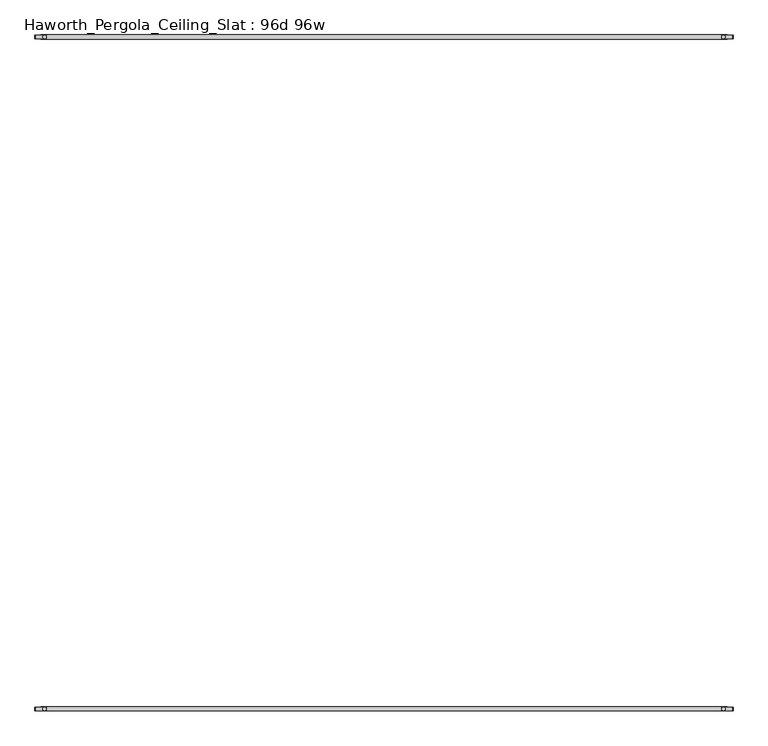
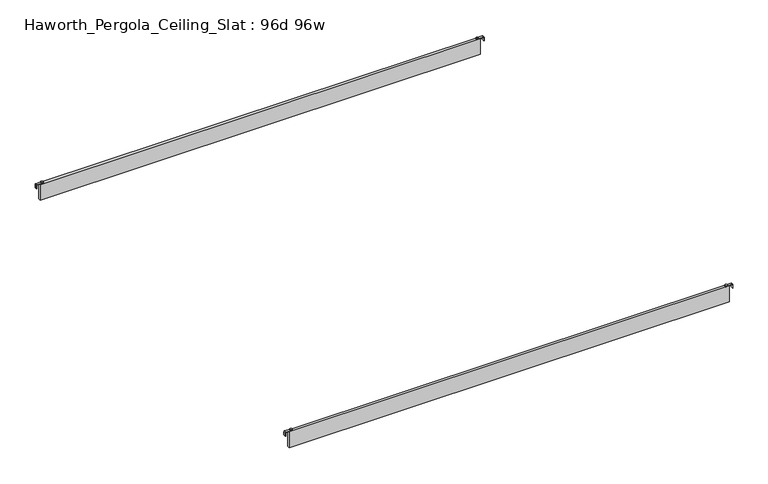
"""IFC4 building model written with IfcOpenShell, lengths in millimetres: furniture geometry, Haworth_Pergola_Ceiling_Slat : 96d 96w."""

from ifc_helpers import new_model, si_unit, point, frame, frame_2d, origin, place, context, project, spatial, polyline, circle_curve, trimmed, segment, composite_curve, outline, extrude, source, transform, mapped, element, save


def haworth_pergola_ceiling_slat_96d_96w_7f62c413(model_context):
    return source(origin(), model_context, "Body", "SweptSolid", [
        extrude(outline(composite_curve([segment(trimmed(circle_curve(frame_2d((1243.6, -144.907)), 5.9838099), [point((1237.6161901, -144.907))], [point((1249.5838099, -144.907))], False, "CARTESIAN"), True, "CONTINUOUS"), segment(trimmed(circle_curve(frame_2d((1243.6, -144.907)), 5.9838099), [point((1249.5838099, -144.907))], [point((1237.6161901, -144.907))], False, "CARTESIAN"), True, "CONTINUOUS")], self_intersect=False)), frame((0.0, 0.0, 2440.9329992), z_axis=(0.0, 0.0, 1.0), x_axis=(1.0, 0.0, 0.0)), (0.0, 0.0, 1.0), 3.4400008),
        extrude(outline(composite_curve([segment(trimmed(circle_curve(frame_2d((-1167.4, -144.907)), 5.9838099), [point((-1161.4161901, -144.907))], [point((-1173.3838099, -144.907))], False, "CARTESIAN"), True, "CONTINUOUS"), segment(trimmed(circle_curve(frame_2d((-1167.4, -144.907)), 5.9838099), [point((-1173.3838099, -144.907))], [point((-1161.4161901, -144.907))], False, "CARTESIAN"), True, "CONTINUOUS")], self_intersect=False)), frame((0.0, 0.0, 2440.9329992), z_axis=(0.0, 0.0, 1.0), x_axis=(1.0, 0.0, 0.0)), (0.0, 0.0, 1.0), 3.4400008),
        extrude(outline(composite_curve([segment(polyline([(2419.2231711, 1277.76), (2437.2499992, 1277.76)]), True, "CONTINUOUS"), segment(trimmed(circle_curve(frame_2d((2437.2499992, 1274.077)), 3.683), [point((2437.2499992, 1277.76))], [point((2440.9329992, 1274.077))], False, "CARTESIAN"), True, "CONTINUOUS"), segment(polyline([(2440.9329992, 1274.077), (2440.9329992, 1237.1), (2438.2729997, 1237.1), (2438.2729997, 1274.0905568)]), True, "CONTINUOUS"), segment(trimmed(circle_curve(frame_2d((2437.2635571, 1274.0905568)), 1.0094425), [point((2438.2729997, 1274.0905568))], [point((2437.2635571, 1275.0999993))], True, "CARTESIAN"), True, "CONTINUOUS"), segment(polyline([(2437.2635571, 1275.0999993), (2419.2231711, 1275.0999993), (2419.2231711, 1277.76)]), True, "CONTINUOUS")], self_intersect=False)), frame((0.0, -151.4000003, 0.0), z_axis=(0.0, 1.0, 0.0), x_axis=(0.0, 0.0, 1.0)), (0.0, 0.0, 1.0), 13.0),
        extrude(outline(composite_curve([segment(polyline([(2419.2231711, -1201.56), (2419.2231711, -1198.8999993), (2437.2635571, -1198.8999993)]), True, "CONTINUOUS"), segment(trimmed(circle_curve(frame_2d((2437.2635571, -1197.8905568)), 1.0094425), [point((2437.2635571, -1198.8999993))], [point((2438.2729997, -1197.8905568))], True, "CARTESIAN"), True, "CONTINUOUS"), segment(polyline([(2438.2729997, -1197.8905568), (2438.2729997, -1160.9), (2440.9329992, -1160.9), (2440.9329992, -1197.877)]), True, "CONTINUOUS"), segment(trimmed(circle_curve(frame_2d((2437.2499992, -1197.877)), 3.683), [point((2440.9329992, -1197.877))], [point((2437.2499992, -1201.56))], False, "CARTESIAN"), True, "CONTINUOUS"), segment(polyline([(2437.2499992, -1201.56), (2419.2231711, -1201.56)]), True, "CONTINUOUS")], self_intersect=False)), frame((0.0, -151.4000003, 0.0), z_axis=(0.0, 1.0, 0.0), x_axis=(0.0, 0.0, 1.0)), (0.0, 0.0, 1.0), 13.0),
        extrude(outline(polyline([(-1181.1, -152.4), (-1181.1, -137.414), (1257.3, -137.414), (1257.3, -152.4), (-1181.1, -152.4)])), frame((0.0, 0.0, 2346.198), z_axis=(0.0, 0.0, 1.0), x_axis=(1.0, 0.0, 0.0)), (0.0, 0.0, 1.0), 92.202),
        extrude(outline(composite_curve([segment(trimmed(circle_curve(frame_2d((1243.6, -2532.507)), 5.9838099), [point((1237.6161901, -2532.507))], [point((1249.5838099, -2532.507))], False, "CARTESIAN"), True, "CONTINUOUS"), segment(trimmed(circle_curve(frame_2d((1243.6, -2532.507)), 5.9838099), [point((1249.5838099, -2532.507))], [point((1237.6161901, -2532.507))], False, "CARTESIAN"), True, "CONTINUOUS")], self_intersect=False)), frame((0.0, 0.0, 2440.9329992), z_axis=(0.0, 0.0, 1.0), x_axis=(1.0, 0.0, 0.0)), (0.0, 0.0, 1.0), 3.4400008),
        extrude(outline(composite_curve([segment(trimmed(circle_curve(frame_2d((-1167.4, -2532.507)), 5.9838099), [point((-1161.4161901, -2532.507))], [point((-1173.3838099, -2532.507))], False, "CARTESIAN"), True, "CONTINUOUS"), segment(trimmed(circle_curve(frame_2d((-1167.4, -2532.507)), 5.9838099), [point((-1173.3838099, -2532.507))], [point((-1161.4161901, -2532.507))], False, "CARTESIAN"), True, "CONTINUOUS")], self_intersect=False)), frame((0.0, 0.0, 2440.9329992), z_axis=(0.0, 0.0, 1.0), x_axis=(1.0, 0.0, 0.0)), (0.0, 0.0, 1.0), 3.4400008),
        extrude(outline(composite_curve([segment(polyline([(2419.2231711, 1277.76), (2437.2499992, 1277.76)]), True, "CONTINUOUS"), segment(trimmed(circle_curve(frame_2d((2437.2499992, 1274.077)), 3.683), [point((2437.2499992, 1277.76))], [point((2440.9329992, 1274.077))], False, "CARTESIAN"), True, "CONTINUOUS"), segment(polyline([(2440.9329992, 1274.077), (2440.9329992, 1237.1), (2438.2729997, 1237.1), (2438.2729997, 1274.0905568)]), True, "CONTINUOUS"), segment(trimmed(circle_curve(frame_2d((2437.2635571, 1274.0905568)), 1.0094425), [point((2438.2729997, 1274.0905568))], [point((2437.2635571, 1275.0999993))], True, "CARTESIAN"), True, "CONTINUOUS"), segment(polyline([(2437.2635571, 1275.0999993), (2419.2231711, 1275.0999993), (2419.2231711, 1277.76)]), True, "CONTINUOUS")], self_intersect=False)), frame((0.0, -2539.0000003, 0.0), z_axis=(0.0, 1.0, 0.0), x_axis=(0.0, 0.0, 1.0)), (0.0, 0.0, 1.0), 13.0),
        extrude(outline(composite_curve([segment(polyline([(2419.2231711, -1201.56), (2419.2231711, -1198.8999993), (2437.2635571, -1198.8999993)]), True, "CONTINUOUS"), segment(trimmed(circle_curve(frame_2d((2437.2635571, -1197.8905568)), 1.0094425), [point((2437.2635571, -1198.8999993))], [point((2438.2729997, -1197.8905568))], True, "CARTESIAN"), True, "CONTINUOUS"), segment(polyline([(2438.2729997, -1197.8905568), (2438.2729997, -1160.9), (2440.9329992, -1160.9), (2440.9329992, -1197.877)]), True, "CONTINUOUS"), segment(trimmed(circle_curve(frame_2d((2437.2499992, -1197.877)), 3.683), [point((2440.9329992, -1197.877))], [point((2437.2499992, -1201.56))], False, "CARTESIAN"), True, "CONTINUOUS"), segment(polyline([(2437.2499992, -1201.56), (2419.2231711, -1201.56)]), True, "CONTINUOUS")], self_intersect=False)), frame((0.0, -2539.0000003, 0.0), z_axis=(0.0, 1.0, 0.0), x_axis=(0.0, 0.0, 1.0)), (0.0, 0.0, 1.0), 13.0),
        extrude(outline(polyline([(-1181.1, -2540.0), (-1181.1, -2525.014), (1257.3, -2525.014), (1257.3, -2540.0), (-1181.1, -2540.0)])), frame((0.0, 0.0, 2346.198), z_axis=(0.0, 0.0, 1.0), x_axis=(1.0, 0.0, 0.0)), (0.0, 0.0, 1.0), 92.202),
    ])


if __name__ == "__main__":
    model = new_model("IFC4")
    model_context = context("Model", 3, world=origin())
    ifc_project = project(units=[si_unit("LENGTHUNIT", "METRE", prefix="MILLI")], contexts=[model_context])
    site = spatial("IfcSite", under=ifc_project)
    building = spatial("IfcBuilding", under=site)
    placement = place(None, origin())
    haworth_pergola_ceiling_slat_96d_96w_shape = haworth_pergola_ceiling_slat_96d_96w_7f62c413(model_context)
    element("IfcFurniture", 1, ObjectType="Haworth_Pergola_Ceiling_Slat : 96d 96w", at=placement, inside=building, context=model_context, shape_type="MappedRepresentation", body=[
        mapped(haworth_pergola_ceiling_slat_96d_96w_shape, transform((0.0, 0.0, 0.0), x_axis=(1.0, 0.0, 0.0), y_axis=(0.0, 1.0, 0.0), z_axis=(0.0, 0.0, 1.0))),
    ])
    save(model, "model.ifc")
